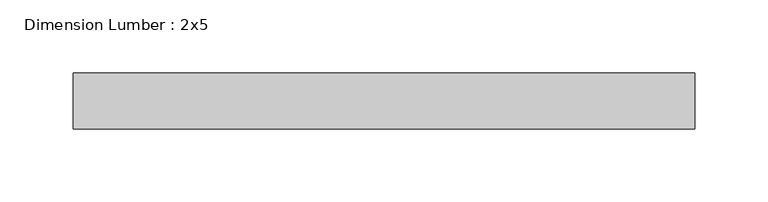
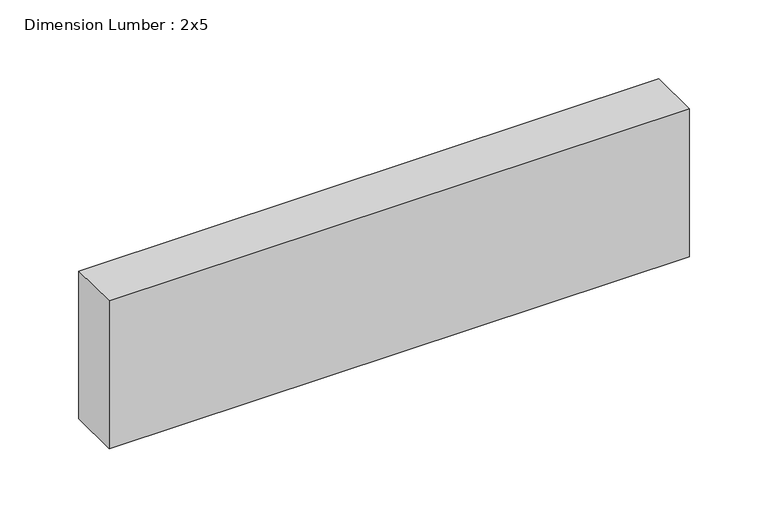
"""IFC4 building model written with IfcOpenShell, lengths in millimetres: beam geometry, Dimension Lumber : 2x5."""

from ifc_helpers import new_model, si_unit, frame, origin, place, context, project, spatial, polyline, outline, extrude, source, transform, mapped, element, save


def dimension_lumber_2x5_b4e49ee7(model_context):
    return source(origin(), model_context, "Body", "SweptSolid", [
        extrude(outline(polyline([(212.7514727, 19.05), (212.7514727, -19.05), (-211.327785, -19.05), (-211.327785, 19.05), (212.7514727, 19.05)])), frame((0.0, 0.0, -57.15), z_axis=(0.0, 0.0, 1.0), x_axis=(1.0, 0.0, 0.0)), (0.0, 0.0, 1.0), 114.3),
    ])


if __name__ == "__main__":
    model = new_model("IFC4")
    model_context = context("Model", 3, world=origin())
    ifc_project = project(units=[si_unit("LENGTHUNIT", "METRE", prefix="MILLI")], contexts=[model_context])
    site = spatial("IfcSite", under=ifc_project)
    building = spatial("IfcBuilding", under=site)
    placement = place(None, origin())
    dimension_lumber_2x5_shape = dimension_lumber_2x5_b4e49ee7(model_context)
    element("IfcBeam", 1, ObjectType="Dimension Lumber : 2x5", at=placement, inside=building, context=model_context, shape_type="MappedRepresentation", body=[
        mapped(dimension_lumber_2x5_shape, transform((0.0, 0.0, 0.0), x_axis=(1.0, 0.0, 0.0), y_axis=(0.0, 1.0, 0.0), z_axis=(0.0, 0.0, 1.0))),
    ])
    save(model, "model.ifc")
